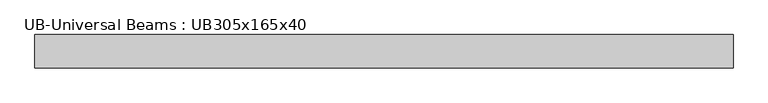
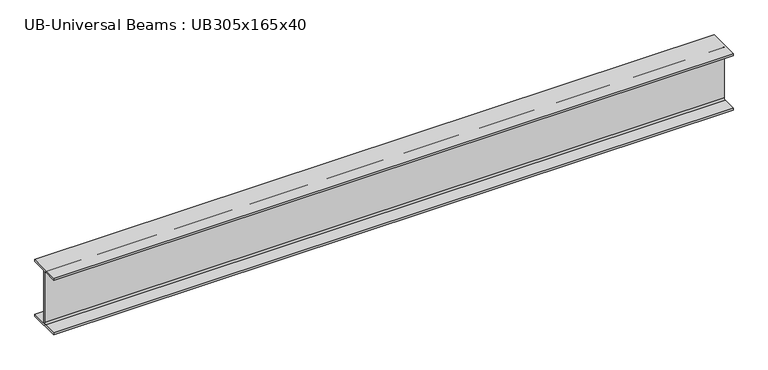
"""IFC4 building model written with IfcOpenShell, lengths in millimetres: beam geometry, UB-Universal Beams : UB305x165x40."""

from ifc_helpers import new_model, si_unit, point, frame, frame_2d, origin, place, context, project, spatial, polyline, circle_curve, trimmed, segment, composite_curve, outline, extrude, source, transform, mapped, element, save


def ub_universal_beams_ub305x165x40_108d467f(model_context):
    return source(origin(), model_context, "Body", "SweptSolid", [
        extrude(outline(composite_curve([segment(polyline([(82.5, -141.5), (82.5, -151.7), (-82.5, -151.7), (-82.5, -141.5), (-11.9, -141.5)]), True, "CONTINUOUS"), segment(trimmed(circle_curve(frame_2d((-11.9, -132.6)), 8.9), [point((-11.9, -141.5))], [point((-3.0, -132.6))], True, "CARTESIAN"), True, "CONTINUOUS"), segment(polyline([(-3.0, -132.6), (-3.0, 132.6)]), True, "CONTINUOUS"), segment(trimmed(circle_curve(frame_2d((-11.9, 132.6)), 8.9), [point((-3.0, 132.6))], [point((-11.9, 141.5))], True, "CARTESIAN"), True, "CONTINUOUS"), segment(polyline([(-11.9, 141.5), (-82.5, 141.5), (-82.5, 151.7), (82.5, 151.7), (82.5, 141.5), (11.9, 141.5)]), True, "CONTINUOUS"), segment(trimmed(circle_curve(frame_2d((11.9, 132.6)), 8.9), [point((11.9, 141.5))], [point((3.0, 132.6))], True, "CARTESIAN"), True, "CONTINUOUS"), segment(polyline([(3.0, 132.6), (3.0, -132.6)]), True, "CONTINUOUS"), segment(trimmed(circle_curve(frame_2d((11.9, -132.6)), 8.9), [point((3.0, -132.6))], [point((11.9, -141.5))], True, "CARTESIAN"), True, "CONTINUOUS"), segment(polyline([(11.9, -141.5), (82.5, -141.5)]), True, "CONTINUOUS")], self_intersect=False)), frame((-1717.5, 0.0, 0.0), z_axis=(1.0, 0.0, 0.0), x_axis=(0.0, 1.0, 0.0)), (0.0, 0.0, 1.0), 3435.0),
    ])


if __name__ == "__main__":
    model = new_model("IFC4")
    model_context = context("Model", 3, world=origin())
    ifc_project = project(units=[si_unit("LENGTHUNIT", "METRE", prefix="MILLI")], contexts=[model_context])
    site = spatial("IfcSite", under=ifc_project)
    building = spatial("IfcBuilding", under=site)
    placement = place(None, origin())
    ub_universal_beams_ub305x165x40_shape = ub_universal_beams_ub305x165x40_108d467f(model_context)
    element("IfcBeam", 1, ObjectType="UB-Universal Beams : UB305x165x40", at=placement, inside=building, context=model_context, shape_type="MappedRepresentation", body=[
        mapped(ub_universal_beams_ub305x165x40_shape, transform((0.0, 0.0, 0.0), x_axis=(1.0, 0.0, 0.0), y_axis=(0.0, 1.0, 0.0), z_axis=(0.0, 0.0, 1.0))),
    ])
    save(model, "model.ifc")
